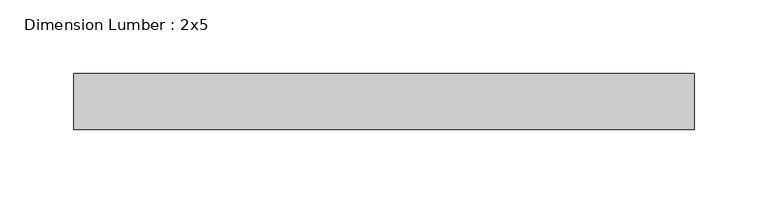
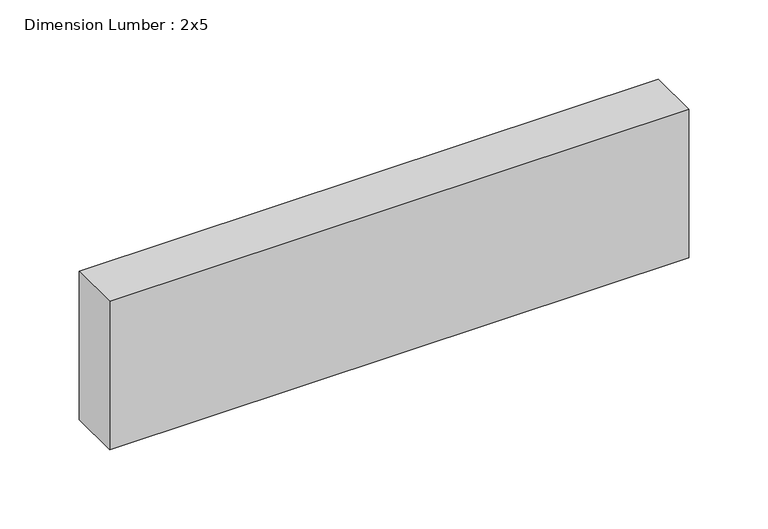
"""IFC4 building model written with IfcOpenShell, lengths in millimetres: beam geometry, Dimension Lumber : 2x5."""

from ifc_helpers import new_model, si_unit, frame, origin, place, context, project, spatial, polyline, outline, extrude, source, transform, mapped, element, save


def dimension_lumber_2x5_35b979dc(model_context):
    return source(origin(), model_context, "Body", "SweptSolid", [
        extrude(outline(polyline([(208.828439, 19.05), (208.828439, -19.05), (-212.9177189, -19.05), (-212.9177189, 19.05), (208.828439, 19.05)])), frame((0.0, 0.0, -57.15), z_axis=(0.0, 0.0, 1.0), x_axis=(1.0, 0.0, 0.0)), (0.0, 0.0, 1.0), 114.3),
    ])


if __name__ == "__main__":
    model = new_model("IFC4")
    model_context = context("Model", 3, world=origin())
    ifc_project = project(units=[si_unit("LENGTHUNIT", "METRE", prefix="MILLI")], contexts=[model_context])
    site = spatial("IfcSite", under=ifc_project)
    building = spatial("IfcBuilding", under=site)
    placement = place(None, origin())
    dimension_lumber_2x5_shape = dimension_lumber_2x5_35b979dc(model_context)
    element("IfcBeam", 1, ObjectType="Dimension Lumber : 2x5", at=placement, inside=building, context=model_context, shape_type="MappedRepresentation", body=[
        mapped(dimension_lumber_2x5_shape, transform((0.0, 0.0, 0.0), x_axis=(1.0, 0.0, 0.0), y_axis=(0.0, 1.0, 0.0), z_axis=(0.0, 0.0, 1.0))),
    ])
    save(model, "model.ifc")
